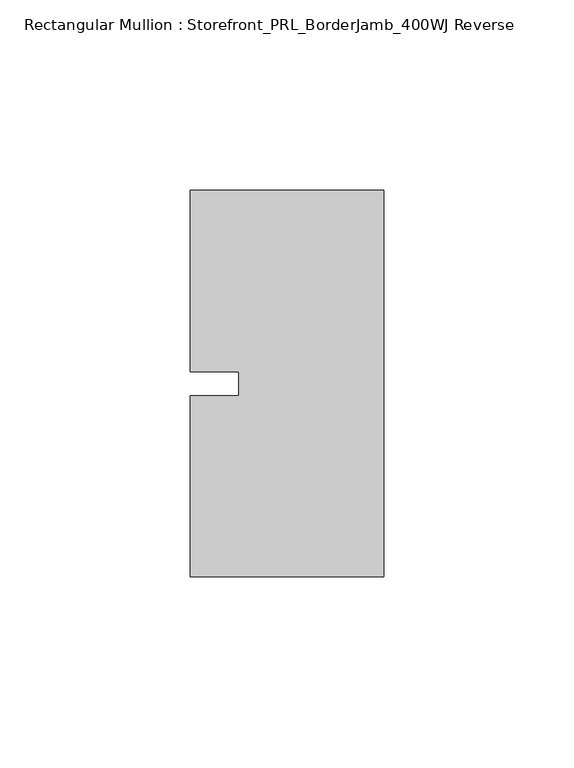
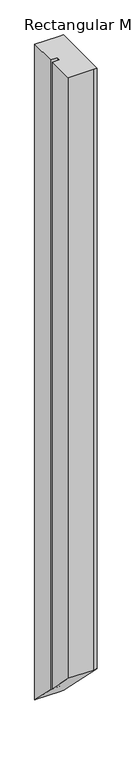
"""IFC4 building model written with IfcOpenShell, lengths in millimetres: member geometry, Rectangular Mullion : Storefront_PRL_BorderJamb_400WJ Reverse."""

from ifc_helpers import new_model, si_unit, origin, place, context, project, spatial, faceted_brep, source, transform, mapped, element, save


def rectangular_mullion_storefront_prl_borderjamb_400wj_reverse_649aba14(model_context):
    return source(origin(), model_context, "Body", "Brep", [
        faceted_brep([(-38.1, -3.175, 0.0), (-50.8, -3.175, 0.0), (-50.8, -50.8, 0.0), (-6.35, -50.8, 0.0), (0.0, -50.8, 0.0), (0.0, 50.8, 0.0), (-7.3958824, 50.8, 0.0), (-50.8, 50.8, 0.0), (-50.8, 3.175, 0.0), (-38.1, 3.175, 0.0), (-38.1, -3.175, -1165.225), (-50.8, -3.175, -1165.225), (-50.8, -50.8, -1117.6), (-6.35, -50.8, -1117.6), (0.0, -50.8, -1117.6), (0.0, 50.8, -1219.2), (-7.3958824, 50.8, -1219.2), (-50.8, 50.8, -1219.2), (-50.8, 3.175, -1171.575), (-38.1, 3.175, -1171.575)], [[[0, 1, 2, 3, 4, 5, 6, 7, 8, 9]], [[1, 0, 10, 11]], [[2, 1, 11, 12]], [[3, 2, 12, 13]], [[4, 3, 13, 14]], [[5, 4, 14, 15]], [[6, 5, 15, 16]], [[7, 6, 16, 17]], [[8, 7, 17, 18]], [[9, 8, 18, 19]], [[0, 9, 19, 10]], [[10, 19, 18, 17, 16, 15, 14, 13, 12, 11]]]),
    ])


if __name__ == "__main__":
    model = new_model("IFC4")
    model_context = context("Model", 3, world=origin())
    ifc_project = project(units=[si_unit("LENGTHUNIT", "METRE", prefix="MILLI")], contexts=[model_context])
    site = spatial("IfcSite", under=ifc_project)
    building = spatial("IfcBuilding", under=site)
    placement = place(None, origin())
    rectangular_mullion_storefront_prl_borderjamb_400wj_reverse_shape = rectangular_mullion_storefront_prl_borderjamb_400wj_reverse_649aba14(model_context)
    element("IfcMember", 1, ObjectType="Rectangular Mullion : Storefront_PRL_BorderJamb_400WJ Reverse", at=placement, inside=building, context=model_context, shape_type="MappedRepresentation", body=[
        mapped(rectangular_mullion_storefront_prl_borderjamb_400wj_reverse_shape, transform((0.0, 0.0, 0.0), x_axis=(1.0, 0.0, 0.0), y_axis=(0.0, 1.0, 0.0), z_axis=(0.0, 0.0, 1.0))),
    ])
    save(model, "model.ifc")
